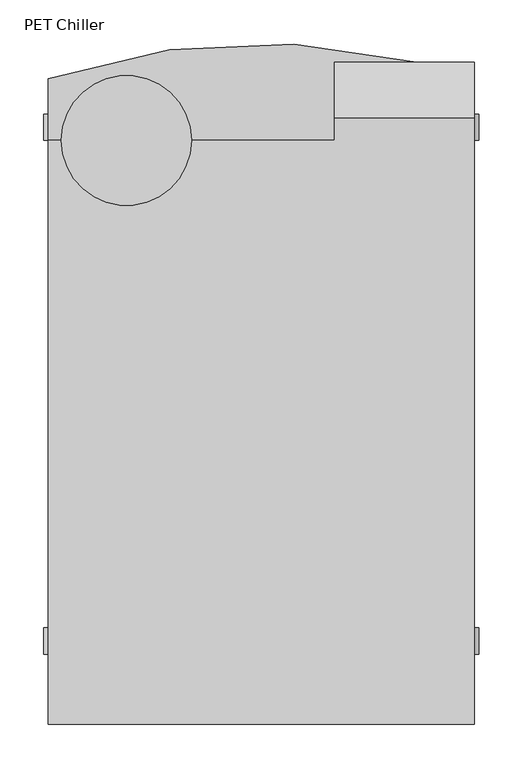
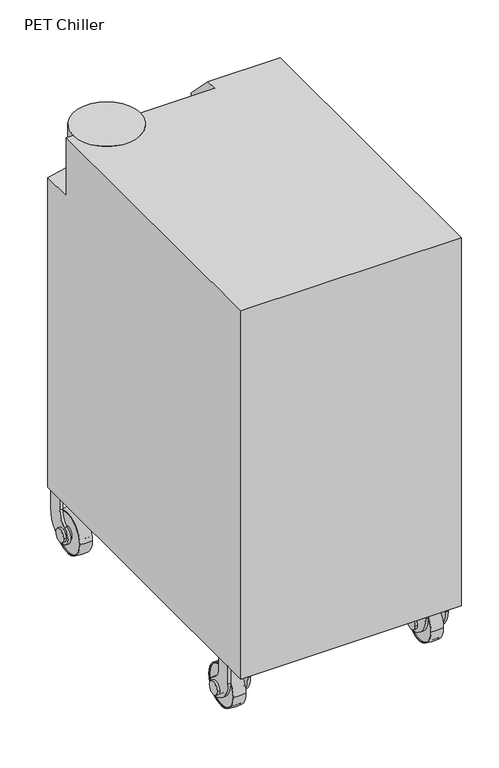
"""IFC4 building model written with IfcOpenShell, lengths in millimetres: proxy geometry, PET Chiller."""

from ifc_helpers import new_model, si_unit, point, frame, frame_2d, origin, place, context, project, spatial, polyline, circle_curve, ellipse_curve, trimmed, segment, composite_curve, outline, extrude, source, transform, mapped, element, save
from ifc_brep_helpers import plane_surface, cylinder_surface, revolved_surface, advanced_brep


def pet_chiller_6dd72af3(model_context):
    return source(origin(), model_context, "Body", "SolidModel", [
        advanced_brep(
        [(449.5727913, 244.1606157, 48.0465135), (477.5727913, 244.1606157, 48.0465135), (477.5727913, 150.5485376, 48.0465135), (449.5727913, 150.5485376, 48.0465135), (477.5727913, 242.3545767, 48.0465135), (449.5727913, 242.3545767, 48.0465135), (449.5727913, 152.3545767, 48.0465135), (477.5727913, 152.3545767, 48.0465135)],
        [
            (0, 1, circle_curve(frame((463.5727913, 165.7788238, 48.0465135), z_axis=(0.0, 0.0, -1.0), x_axis=(0.0, -1.0000000000000002, 0.0)), 79.6222664)),
            (1, 2, circle_curve(frame((477.5727913, 197.3545767, 48.0465135), z_axis=(-1.0, 0.0, 0.0), x_axis=(0.0, -1.0000000000000002, 0.0)), 46.8060391)),
            (2, 3, circle_curve(frame((463.5727913, 228.9303296, 48.0465135), z_axis=(0.0, 0.0, -1.0), x_axis=(0.0, 1.0000000000000002, 0.0)), 79.6222664)),
            (3, 0, circle_curve(frame((449.5727913, 197.3545767, 48.0465135), z_axis=(1.0, 0.0, 0.0), x_axis=(0.0, -1.0000000000000002, 0.0)), 46.8060391)),
            (4, 5),
            (5, 6, circle_curve(frame((449.5727913, 197.3545767, 48.0465135), z_axis=(-1.0, 0.0, 0.0), x_axis=(0.0, -1.0000000000000002, 0.0)), 45.0)),
            (6, 7),
            (7, 4, circle_curve(frame((477.5727913, 197.3545767, 48.0465135), z_axis=(1.0, 0.0, 0.0), x_axis=(0.0, -1.0000000000000002, 0.0)), 45.0)),
            (1, 2, circle_curve(frame((477.5727913, 197.3545767, 48.0465135), z_axis=(1.0, 0.0, 0.0), x_axis=(0.0, 1.0000000000000002, 0.0)), 46.8060391)),
            (7, 4, circle_curve(frame((477.5727913, 197.3545767, 48.0465135), z_axis=(-1.0, 0.0, 0.0), x_axis=(0.0, 1.0000000000000002, 0.0)), 45.0)),
            (0, 3, circle_curve(frame((449.5727913, 197.3545767, 48.0465135), z_axis=(1.0, 0.0, 0.0), x_axis=(0.0, 1.0000000000000002, 0.0)), 46.8060391)),
            (5, 6, circle_curve(frame((449.5727913, 197.3545767, 48.0465135), z_axis=(1.0, 0.0, 0.0), x_axis=(0.0, 1.0000000000000002, 0.0)), 45.0)),
        ],
        [
            revolved_surface(trimmed(ellipse_curve(frame((463.5727913, 228.9303296, 48.0465135), z_axis=(0.0, 0.0, -1.0), x_axis=(0.0, 1.0000000000000002, 0.0)), 79.6222664, 79.6222664), [point((477.5727913, 150.5485376, 48.0465135))], [point((449.5727913, 150.5485376, 48.0465135))], True, "CARTESIAN"), (457.05, 197.3545767, 48.0465135), (-1.0000000000000002, 0.0, 0.0)),
            revolved_surface(polyline([(449.5727913, 152.3545767, 48.0465135), (477.5727913, 152.3545767, 48.0465135)]), (457.05, 197.3545767, 48.0465135), (-1.0000000000000002, 0.0, 0.0)),
            plane_surface(frame((477.5727913, 197.3545767, 48.0465135), z_axis=(1.0, 0.0, 0.0), x_axis=(0.0, 1.0, 0.0))),
            revolved_surface(trimmed(ellipse_curve(frame((463.5727913, 165.7788238, 48.0465135), z_axis=(0.0, 0.0, 1.0), x_axis=(0.0, -1.0000000000000002, 0.0)), 79.6222664, 79.6222664), [point((477.5727913, 244.1606157, 48.0465135))], [point((449.5727913, 244.1606157, 48.0465135))], True, "CARTESIAN"), (457.05, 197.3545767, 48.0465135), (-1.0000000000000002, 0.0, 0.0)),
            plane_surface(frame((449.5727913, 197.3545767, 48.0465135), z_axis=(-1.0, 0.0, 0.0), x_axis=(0.0, 1.0, 0.0))),
            revolved_surface(polyline([(449.5727913, 242.3545767, 48.0465135), (477.5727913, 242.3545767, 48.0465135)]), (457.05, 197.3545767, 48.0465135), (-1.0000000000000002, 0.0, 0.0)),
        ],
        [
            (0, [[1, 2, 3, 4]]),
            (1, [[5, 6, 7, 8]]),
            (2, [[-2, 9], [-8, 10]]),
            (3, [[-3, -9, -1, 11]]),
            (4, [[-4, -11], [-6, 12]]),
            (5, [[-7, -12, -5, -10]]),
        ],
    ),
        extrude(outline(composite_curve([segment(polyline([(188.1657407, 29.163577), (179.3662184, 34.2439835)]), True, "CONTINUOUS"), segment(trimmed(circle_curve(frame_2d((206.8662184, 81.8753807)), 55.0), [point((179.3662184, 34.2439835))], [point((151.8662184, 81.8753807))], False, "CARTESIAN"), True, "CONTINUOUS"), segment(polyline([(151.8662184, 81.8753807), (151.8662184, 125.0465135), (186.8662184, 125.0465135), (186.8662184, 99.3530944)]), True, "CONTINUOUS"), segment(trimmed(circle_curve(frame_2d((224.5148391, 99.3530944)), 37.6486207), [point((186.8662184, 99.3530944))], [point((203.4679054, 68.1369892))], True, "CARTESIAN"), True, "CONTINUOUS"), segment(trimmed(circle_curve(frame_2d((197.3545767, 48.0465135)), 21.0), [point((203.4679054, 68.1369892))], [point((188.1657407, 29.163577))], False, "CARTESIAN"), True, "CONTINUOUS")], self_intersect=False)), frame((482.55, 0.0, 0.0), z_axis=(1.0, 0.0, 0.0), x_axis=(0.0, 1.0, 0.0)), (0.0, 0.0, 1.0), 6.0),
        extrude(outline(polyline([(444.55, 151.8662184), (444.55, 186.8662184), (482.55, 186.8662184), (482.55, 151.8662184), (444.55, 151.8662184)])), frame((0.0, 0.0, 119.0465135), z_axis=(0.0, 0.0, 1.0), x_axis=(1.0, 0.0, 0.0)), (0.0, 0.0, 1.0), 6.0),
        extrude(outline(composite_curve([segment(polyline([(188.1657407, 29.163577), (179.3662184, 34.2439835)]), True, "CONTINUOUS"), segment(trimmed(circle_curve(frame_2d((206.8662184, 81.8753807)), 55.0), [point((179.3662184, 34.2439835))], [point((151.8662184, 81.8753807))], False, "CARTESIAN"), True, "CONTINUOUS"), segment(polyline([(151.8662184, 81.8753807), (151.8662184, 125.0465135), (186.8662184, 125.0465135), (186.8662184, 99.3530944)]), True, "CONTINUOUS"), segment(trimmed(circle_curve(frame_2d((224.5148391, 99.3530944)), 37.6486207), [point((186.8662184, 99.3530944))], [point((203.4679054, 68.1369892))], True, "CARTESIAN"), True, "CONTINUOUS"), segment(trimmed(circle_curve(frame_2d((197.3545767, 48.0465135)), 21.0), [point((203.4679054, 68.1369892))], [point((188.1657407, 29.163577))], False, "CARTESIAN"), True, "CONTINUOUS")], self_intersect=False)), frame((438.55, 0.0, 0.0), z_axis=(1.0, 0.0, 0.0), x_axis=(0.0, 1.0, 0.0)), (0.0, 0.0, 1.0), 6.0),
        extrude(outline(composite_curve([segment(trimmed(circle_curve(frame_2d((197.3545767, 48.0465135)), 15.0), [point((182.3545767, 48.0465135))], [point((212.3545767, 48.0465135))], False, "CARTESIAN"), True, "CONTINUOUS"), segment(trimmed(circle_curve(frame_2d((197.3545767, 48.0465135)), 15.0), [point((212.3545767, 48.0465135))], [point((182.3545767, 48.0465135))], False, "CARTESIAN"), True, "CONTINUOUS")], self_intersect=False)), frame((432.55, 0.0, 0.0), z_axis=(1.0, 0.0, 0.0), x_axis=(0.0, 1.0, 0.0)), (0.0, 0.0, 1.0), 62.0),
        extrude(outline(composite_curve([segment(trimmed(circle_curve(frame_2d((197.3545767, 48.0465135)), 45.0), [point((152.3545767, 48.0465135))], [point((242.3545767, 48.0465135))], False, "CARTESIAN"), True, "CONTINUOUS"), segment(trimmed(circle_curve(frame_2d((197.3545767, 48.0465135)), 45.0), [point((242.3545767, 48.0465135))], [point((152.3545767, 48.0465135))], False, "CARTESIAN"), True, "CONTINUOUS")], self_intersect=False)), frame((451.05, 0.0, 0.0), z_axis=(1.0, 0.0, 0.0), x_axis=(0.0, 1.0, 0.0)), (0.0, 0.0, 1.0), 25.0),
        advanced_brep(
        [(39.3772087, 244.1606157, 48.0465135), (39.3772087, 150.5485376, 48.0465135), (11.3772087, 150.5485376, 48.0465135), (11.3772087, 244.1606157, 48.0465135), (11.3772087, 242.3545767, 48.0465135), (11.3772087, 152.3545767, 48.0465135), (39.3772087, 152.3545767, 48.0465135), (39.3772087, 242.3545767, 48.0465135)],
        [
            (0, 1, circle_curve(frame((39.3772087, 197.3545767, 48.0465135), z_axis=(-1.0, 0.0, 0.0), x_axis=(0.0, -1.0000000000000002, 0.0)), 46.8060391)),
            (1, 2, circle_curve(frame((25.3772087, 228.9303296, 48.0465135), z_axis=(0.0, 0.0, -1.0), x_axis=(0.0, 1.0000000000000002, 0.0)), 79.6222664)),
            (2, 3, circle_curve(frame((11.3772087, 197.3545767, 48.0465135), z_axis=(1.0, 0.0, 0.0), x_axis=(0.0, -1.0000000000000002, 0.0)), 46.8060391)),
            (3, 0, circle_curve(frame((25.3772087, 165.7788238, 48.0465135), z_axis=(0.0, 0.0, -1.0), x_axis=(0.0, -1.0000000000000002, 0.0)), 79.6222664)),
            (4, 5, circle_curve(frame((11.3772087, 197.3545767, 48.0465135), z_axis=(-1.0, 0.0, 0.0), x_axis=(0.0, -1.0000000000000002, 0.0)), 45.0)),
            (5, 6),
            (6, 7, circle_curve(frame((39.3772087, 197.3545767, 48.0465135), z_axis=(1.0, 0.0, 0.0), x_axis=(0.0, -1.0000000000000002, 0.0)), 45.0)),
            (7, 4),
            (2, 3, circle_curve(frame((11.3772087, 197.3545767, 48.0465135), z_axis=(-1.0, 0.0, 0.0), x_axis=(0.0, 1.0000000000000002, 0.0)), 46.8060391)),
            (4, 5, circle_curve(frame((11.3772087, 197.3545767, 48.0465135), z_axis=(1.0, 0.0, 0.0), x_axis=(0.0, 1.0000000000000002, 0.0)), 45.0)),
            (1, 0, circle_curve(frame((39.3772087, 197.3545767, 48.0465135), z_axis=(-1.0, 0.0, 0.0), x_axis=(0.0, 1.0000000000000002, 0.0)), 46.8060391)),
            (6, 7, circle_curve(frame((39.3772087, 197.3545767, 48.0465135), z_axis=(-1.0, 0.0, 0.0), x_axis=(0.0, 1.0000000000000002, 0.0)), 45.0)),
        ],
        [
            revolved_surface(trimmed(ellipse_curve(frame((25.3772087, 228.9303296, 48.0465135), z_axis=(0.0, 0.0, 1.0), x_axis=(0.0, 1.0000000000000002, 0.0)), 79.6222664, 79.6222664), [point((11.3772087, 150.5485376, 48.0465135))], [point((39.3772087, 150.5485376, 48.0465135))], True, "CARTESIAN"), (31.9, 197.3545767, 48.0465135), (1.0000000000000002, 0.0, 0.0)),
            revolved_surface(polyline([(39.3772087, 152.3545767, 48.0465135), (11.377208699999994, 152.3545767, 48.0465135)]), (31.9, 197.3545767, 48.0465135), (1.0000000000000002, 0.0, 0.0)),
            plane_surface(frame((11.3772087, 197.3545767, 48.0465135), z_axis=(-1.0, 0.0, 0.0), x_axis=(0.0, 1.0, 0.0))),
            revolved_surface(trimmed(ellipse_curve(frame((25.3772087, 165.7788238, 48.0465135), z_axis=(0.0, 0.0, -1.0), x_axis=(0.0, -1.0000000000000002, 0.0)), 79.6222664, 79.6222664), [point((11.3772087, 244.1606157, 48.0465135))], [point((39.3772087, 244.1606157, 48.0465135))], True, "CARTESIAN"), (31.9, 197.3545767, 48.0465135), (1.0000000000000002, 0.0, 0.0)),
            plane_surface(frame((39.3772087, 197.3545767, 48.0465135), z_axis=(1.0, 0.0, 0.0), x_axis=(0.0, 1.0, 0.0))),
            revolved_surface(polyline([(39.3772087, 242.3545767, 48.0465135), (11.377208699999994, 242.3545767, 48.0465135)]), (31.9, 197.3545767, 48.0465135), (1.0000000000000002, 0.0, 0.0)),
        ],
        [
            (0, [[1, 2, 3, 4]]),
            (1, [[5, 6, 7, 8]]),
            (2, [[9, -3], [10, -5]]),
            (3, [[11, -4, -9, -2]]),
            (4, [[-11, -1], [12, -7]]),
            (5, [[-10, -8, -12, -6]]),
        ],
    ),
        extrude(outline(composite_curve([segment(polyline([(188.1657407, 29.163577), (179.3662184, 34.2439835)]), True, "CONTINUOUS"), segment(trimmed(circle_curve(frame_2d((206.8662184, 81.8753807)), 55.0), [point((179.3662184, 34.2439835))], [point((151.8662184, 81.8753807))], False, "CARTESIAN"), True, "CONTINUOUS"), segment(polyline([(151.8662184, 81.8753807), (151.8662184, 125.0465135), (186.8662184, 125.0465135), (186.8662184, 99.3530944)]), True, "CONTINUOUS"), segment(trimmed(circle_curve(frame_2d((224.5148391, 99.3530944)), 37.6486207), [point((186.8662184, 99.3530944))], [point((203.4679054, 68.1369892))], True, "CARTESIAN"), True, "CONTINUOUS"), segment(trimmed(circle_curve(frame_2d((197.3545767, 48.0465135)), 21.0), [point((203.4679054, 68.1369892))], [point((188.1657407, 29.163577))], False, "CARTESIAN"), True, "CONTINUOUS")], self_intersect=False)), frame((0.4, 0.0, 0.0), z_axis=(1.0, 0.0, 0.0), x_axis=(0.0, 1.0, 0.0)), (0.0, 0.0, 1.0), 6.0),
        extrude(outline(polyline([(44.4, 151.8662184), (6.4, 151.8662184), (6.4, 186.8662184), (44.4, 186.8662184), (44.4, 151.8662184)])), frame((0.0, 0.0, 119.0465135), z_axis=(0.0, 0.0, 1.0), x_axis=(1.0, 0.0, 0.0)), (0.0, 0.0, 1.0), 6.0),
        extrude(outline(composite_curve([segment(polyline([(188.1657407, 29.163577), (179.3662184, 34.2439835)]), True, "CONTINUOUS"), segment(trimmed(circle_curve(frame_2d((206.8662184, 81.8753807)), 55.0), [point((179.3662184, 34.2439835))], [point((151.8662184, 81.8753807))], False, "CARTESIAN"), True, "CONTINUOUS"), segment(polyline([(151.8662184, 81.8753807), (151.8662184, 125.0465135), (186.8662184, 125.0465135), (186.8662184, 99.3530944)]), True, "CONTINUOUS"), segment(trimmed(circle_curve(frame_2d((224.5148391, 99.3530944)), 37.6486207), [point((186.8662184, 99.3530944))], [point((203.4679054, 68.1369892))], True, "CARTESIAN"), True, "CONTINUOUS"), segment(trimmed(circle_curve(frame_2d((197.3545767, 48.0465135)), 21.0), [point((203.4679054, 68.1369892))], [point((188.1657407, 29.163577))], False, "CARTESIAN"), True, "CONTINUOUS")], self_intersect=False)), frame((44.4, 0.0, 0.0), z_axis=(1.0, 0.0, 0.0), x_axis=(0.0, 1.0, 0.0)), (0.0, 0.0, 1.0), 6.0),
        extrude(outline(composite_curve([segment(trimmed(circle_curve(frame_2d((197.3545767, 48.0465135)), 15.0), [point((182.3545767, 48.0465135))], [point((212.3545767, 48.0465135))], False, "CARTESIAN"), True, "CONTINUOUS"), segment(trimmed(circle_curve(frame_2d((197.3545767, 48.0465135)), 15.0), [point((212.3545767, 48.0465135))], [point((182.3545767, 48.0465135))], False, "CARTESIAN"), True, "CONTINUOUS")], self_intersect=False)), frame((-5.6, 0.0, 0.0), z_axis=(1.0, 0.0, 0.0), x_axis=(0.0, 1.0, 0.0)), (0.0, 0.0, 1.0), 62.0),
        extrude(outline(composite_curve([segment(trimmed(circle_curve(frame_2d((197.3545767, 48.0465135)), 45.0), [point((152.3545767, 48.0465135))], [point((242.3545767, 48.0465135))], False, "CARTESIAN"), True, "CONTINUOUS"), segment(trimmed(circle_curve(frame_2d((197.3545767, 48.0465135)), 45.0), [point((242.3545767, 48.0465135))], [point((152.3545767, 48.0465135))], False, "CARTESIAN"), True, "CONTINUOUS")], self_intersect=False)), frame((12.9, 0.0, 0.0), z_axis=(1.0, 0.0, 0.0), x_axis=(0.0, 1.0, 0.0)), (0.0, 0.0, 1.0), 25.0),
        advanced_brep(
        [(449.5727913, 740.0893843, 48.0465135), (449.5727913, 833.7014624, 48.0465135), (477.5727913, 833.7014624, 48.0465135), (477.5727913, 740.0893843, 48.0465135), (477.5727913, 741.8954233, 48.0465135), (477.5727913, 831.8954233, 48.0465135), (449.5727913, 831.8954233, 48.0465135), (449.5727913, 741.8954233, 48.0465135)],
        [
            (0, 1, circle_curve(frame((449.5727913, 786.8954233, 48.0465135), z_axis=(1.0, 0.0, 0.0), x_axis=(0.0, 1.0000000000000002, 0.0)), 46.8060391)),
            (1, 2, circle_curve(frame((463.5727913, 755.3196704, 48.0465135), z_axis=(0.0, 0.0, -1.0), x_axis=(0.0, -1.0000000000000002, 0.0)), 79.6222664)),
            (2, 3, circle_curve(frame((477.5727913, 786.8954233, 48.0465135), z_axis=(-1.0, 0.0, 0.0), x_axis=(0.0, 1.0000000000000002, 0.0)), 46.8060391)),
            (3, 0, circle_curve(frame((463.5727913, 818.4711762, 48.0465135), z_axis=(0.0, 0.0, -1.0), x_axis=(0.0, 1.0000000000000002, 0.0)), 79.6222664)),
            (4, 5, circle_curve(frame((477.5727913, 786.8954233, 48.0465135), z_axis=(1.0, 0.0, 0.0), x_axis=(0.0, 1.0000000000000002, 0.0)), 45.0)),
            (5, 6),
            (6, 7, circle_curve(frame((449.5727913, 786.8954233, 48.0465135), z_axis=(-1.0, 0.0, 0.0), x_axis=(0.0, 1.0000000000000002, 0.0)), 45.0)),
            (7, 4),
            (2, 3, circle_curve(frame((477.5727913, 786.8954233, 48.0465135), z_axis=(1.0, 0.0, 0.0), x_axis=(0.0, -1.0000000000000002, 0.0)), 46.8060391)),
            (4, 5, circle_curve(frame((477.5727913, 786.8954233, 48.0465135), z_axis=(-1.0, 0.0, 0.0), x_axis=(0.0, -1.0000000000000002, 0.0)), 45.0)),
            (1, 0, circle_curve(frame((449.5727913, 786.8954233, 48.0465135), z_axis=(1.0, 0.0, 0.0), x_axis=(0.0, -1.0000000000000002, 0.0)), 46.8060391)),
            (6, 7, circle_curve(frame((449.5727913, 786.8954233, 48.0465135), z_axis=(1.0, 0.0, 0.0), x_axis=(0.0, -1.0000000000000002, 0.0)), 45.0)),
        ],
        [
            revolved_surface(trimmed(ellipse_curve(frame((463.5727913, 755.3196704, 48.0465135), z_axis=(0.0, 0.0, 1.0), x_axis=(0.0, -1.0000000000000002, 0.0)), 79.6222664, 79.6222664), [point((477.5727913, 833.7014624, 48.0465135))], [point((449.5727913, 833.7014624, 48.0465135))], True, "CARTESIAN"), (457.05, 786.8954233, 48.0465135), (-1.0000000000000002, 0.0, 0.0)),
            revolved_surface(polyline([(449.5727913, 831.8954233, 48.0465135), (477.5727913, 831.8954233, 48.0465135)]), (457.05, 786.8954233, 48.0465135), (-1.0000000000000002, 0.0, 0.0)),
            plane_surface(frame((477.5727913, 786.8954233, 48.0465135), z_axis=(1.0, 0.0, 0.0), x_axis=(0.0, -1.0, 0.0))),
            revolved_surface(trimmed(ellipse_curve(frame((463.5727913, 818.4711762, 48.0465135), z_axis=(0.0, 0.0, -1.0), x_axis=(0.0, 1.0000000000000002, 0.0)), 79.6222664, 79.6222664), [point((477.5727913, 740.0893843, 48.0465135))], [point((449.5727913, 740.0893843, 48.0465135))], True, "CARTESIAN"), (457.05, 786.8954233, 48.0465135), (-1.0000000000000002, 0.0, 0.0)),
            plane_surface(frame((449.5727913, 786.8954233, 48.0465135), z_axis=(-1.0, 0.0, 0.0), x_axis=(0.0, -1.0, 0.0))),
            revolved_surface(polyline([(449.5727913, 741.8954233, 48.0465135), (477.5727913, 741.8954233, 48.0465135)]), (457.05, 786.8954233, 48.0465135), (-1.0000000000000002, 0.0, 0.0)),
        ],
        [
            (0, [[1, 2, 3, 4]]),
            (1, [[5, 6, 7, 8]]),
            (2, [[9, -3], [10, -5]]),
            (3, [[11, -4, -9, -2]]),
            (4, [[-11, -1], [12, -7]]),
            (5, [[-10, -8, -12, -6]]),
        ],
    ),
        extrude(outline(composite_curve([segment(trimmed(circle_curve(frame_2d((786.8954233, 48.0465135)), 21.0), [point((796.0842593, 29.163577))], [point((780.7820946, 68.1369892))], False, "CARTESIAN"), True, "CONTINUOUS"), segment(trimmed(circle_curve(frame_2d((759.7351609, 99.3530944)), 37.6486207), [point((780.7820946, 68.1369892))], [point((797.3837816, 99.3530944))], True, "CARTESIAN"), True, "CONTINUOUS"), segment(polyline([(797.3837816, 99.3530944), (797.3837816, 125.0465135), (832.3837816, 125.0465135), (832.3837816, 81.8753807)]), True, "CONTINUOUS"), segment(trimmed(circle_curve(frame_2d((777.3837816, 81.8753807)), 55.0), [point((832.3837816, 81.8753807))], [point((804.8837816, 34.2439835))], False, "CARTESIAN"), True, "CONTINUOUS"), segment(polyline([(804.8837816, 34.2439835), (796.0842593, 29.163577)]), True, "CONTINUOUS")], self_intersect=False)), frame((482.55, 0.0, 0.0), z_axis=(1.0, 0.0, 0.0), x_axis=(0.0, 1.0, 0.0)), (0.0, 0.0, 1.0), 6.0),
        extrude(outline(polyline([(444.55, 832.3837816), (482.55, 832.3837816), (482.55, 797.3837816), (444.55, 797.3837816), (444.55, 832.3837816)])), frame((0.0, 0.0, 119.0465135), z_axis=(0.0, 0.0, 1.0), x_axis=(1.0, 0.0, 0.0)), (0.0, 0.0, 1.0), 6.0),
        extrude(outline(composite_curve([segment(trimmed(circle_curve(frame_2d((786.8954233, 48.0465135)), 21.0), [point((796.0842593, 29.163577))], [point((780.7820946, 68.1369892))], False, "CARTESIAN"), True, "CONTINUOUS"), segment(trimmed(circle_curve(frame_2d((759.7351609, 99.3530944)), 37.6486207), [point((780.7820946, 68.1369892))], [point((797.3837816, 99.3530944))], True, "CARTESIAN"), True, "CONTINUOUS"), segment(polyline([(797.3837816, 99.3530944), (797.3837816, 125.0465135), (832.3837816, 125.0465135), (832.3837816, 81.8753807)]), True, "CONTINUOUS"), segment(trimmed(circle_curve(frame_2d((777.3837816, 81.8753807)), 55.0), [point((832.3837816, 81.8753807))], [point((804.8837816, 34.2439835))], False, "CARTESIAN"), True, "CONTINUOUS"), segment(polyline([(804.8837816, 34.2439835), (796.0842593, 29.163577)]), True, "CONTINUOUS")], self_intersect=False)), frame((438.55, 0.0, 0.0), z_axis=(1.0, 0.0, 0.0), x_axis=(0.0, 1.0, 0.0)), (0.0, 0.0, 1.0), 6.0),
        extrude(outline(composite_curve([segment(trimmed(circle_curve(frame_2d((786.8954233, 48.0465135)), 15.0), [point((801.8954233, 48.0465135))], [point((771.8954233, 48.0465135))], False, "CARTESIAN"), True, "CONTINUOUS"), segment(trimmed(circle_curve(frame_2d((786.8954233, 48.0465135)), 15.0), [point((771.8954233, 48.0465135))], [point((801.8954233, 48.0465135))], False, "CARTESIAN"), True, "CONTINUOUS")], self_intersect=False)), frame((432.55, 0.0, 0.0), z_axis=(1.0, 0.0, 0.0), x_axis=(0.0, 1.0, 0.0)), (0.0, 0.0, 1.0), 62.0),
        extrude(outline(composite_curve([segment(trimmed(circle_curve(frame_2d((786.8954233, 48.0465135)), 45.0), [point((831.8954233, 48.0465135))], [point((741.8954233, 48.0465135))], False, "CARTESIAN"), True, "CONTINUOUS"), segment(trimmed(circle_curve(frame_2d((786.8954233, 48.0465135)), 45.0), [point((741.8954233, 48.0465135))], [point((831.8954233, 48.0465135))], False, "CARTESIAN"), True, "CONTINUOUS")], self_intersect=False)), frame((451.05, 0.0, 0.0), z_axis=(1.0, 0.0, 0.0), x_axis=(0.0, 1.0, 0.0)), (0.0, 0.0, 1.0), 25.0),
        advanced_brep(
        [(39.3772087, 740.0893843, 48.0465135), (11.3772087, 740.0893843, 48.0465135), (11.3772087, 833.7014624, 48.0465135), (39.3772087, 833.7014624, 48.0465135), (11.3772087, 741.8954233, 48.0465135), (39.3772087, 741.8954233, 48.0465135), (39.3772087, 831.8954233, 48.0465135), (11.3772087, 831.8954233, 48.0465135)],
        [
            (0, 1, circle_curve(frame((25.3772087, 818.4711762, 48.0465135), z_axis=(0.0, 0.0, -1.0), x_axis=(0.0, 1.0000000000000002, 0.0)), 79.6222664)),
            (1, 2, circle_curve(frame((11.3772087, 786.8954233, 48.0465135), z_axis=(1.0, 0.0, 0.0), x_axis=(0.0, 1.0000000000000002, 0.0)), 46.8060391)),
            (2, 3, circle_curve(frame((25.3772087, 755.3196704, 48.0465135), z_axis=(0.0, 0.0, -1.0), x_axis=(0.0, -1.0000000000000002, 0.0)), 79.6222664)),
            (3, 0, circle_curve(frame((39.3772087, 786.8954233, 48.0465135), z_axis=(-1.0, 0.0, 0.0), x_axis=(0.0, 1.0000000000000002, 0.0)), 46.8060391)),
            (4, 5),
            (5, 6, circle_curve(frame((39.3772087, 786.8954233, 48.0465135), z_axis=(1.0, 0.0, 0.0), x_axis=(0.0, 1.0000000000000002, 0.0)), 45.0)),
            (6, 7),
            (7, 4, circle_curve(frame((11.3772087, 786.8954233, 48.0465135), z_axis=(-1.0, 0.0, 0.0), x_axis=(0.0, 1.0000000000000002, 0.0)), 45.0)),
            (1, 2, circle_curve(frame((11.3772087, 786.8954233, 48.0465135), z_axis=(-1.0, 0.0, 0.0), x_axis=(0.0, -1.0000000000000002, 0.0)), 46.8060391)),
            (7, 4, circle_curve(frame((11.3772087, 786.8954233, 48.0465135), z_axis=(1.0, 0.0, 0.0), x_axis=(0.0, -1.0000000000000002, 0.0)), 45.0)),
            (0, 3, circle_curve(frame((39.3772087, 786.8954233, 48.0465135), z_axis=(-1.0, 0.0, 0.0), x_axis=(0.0, -1.0000000000000002, 0.0)), 46.8060391)),
            (5, 6, circle_curve(frame((39.3772087, 786.8954233, 48.0465135), z_axis=(-1.0, 0.0, 0.0), x_axis=(0.0, -1.0000000000000002, 0.0)), 45.0)),
        ],
        [
            revolved_surface(trimmed(ellipse_curve(frame((25.3772087, 755.3196704, 48.0465135), z_axis=(0.0, 0.0, -1.0), x_axis=(0.0, -1.0000000000000002, 0.0)), 79.6222664, 79.6222664), [point((11.3772087, 833.7014624, 48.0465135))], [point((39.3772087, 833.7014624, 48.0465135))], True, "CARTESIAN"), (31.9, 786.8954233, 48.0465135), (1.0000000000000002, 0.0, 0.0)),
            revolved_surface(polyline([(39.3772087, 831.8954233, 48.0465135), (11.377208699999994, 831.8954233, 48.0465135)]), (31.9, 786.8954233, 48.0465135), (1.0000000000000002, 0.0, 0.0)),
            plane_surface(frame((11.3772087, 786.8954233, 48.0465135), z_axis=(-1.0, 0.0, 0.0), x_axis=(0.0, -1.0, 0.0))),
            revolved_surface(trimmed(ellipse_curve(frame((25.3772087, 818.4711762, 48.0465135), z_axis=(0.0, 0.0, 1.0), x_axis=(0.0, 1.0000000000000002, 0.0)), 79.6222664, 79.6222664), [point((11.3772087, 740.0893843, 48.0465135))], [point((39.3772087, 740.0893843, 48.0465135))], True, "CARTESIAN"), (31.9, 786.8954233, 48.0465135), (1.0000000000000002, 0.0, 0.0)),
            plane_surface(frame((39.3772087, 786.8954233, 48.0465135), z_axis=(1.0, 0.0, 0.0), x_axis=(0.0, -1.0, 0.0))),
            revolved_surface(polyline([(39.3772087, 741.8954233, 48.0465135), (11.377208699999994, 741.8954233, 48.0465135)]), (31.9, 786.8954233, 48.0465135), (1.0000000000000002, 0.0, 0.0)),
        ],
        [
            (0, [[1, 2, 3, 4]]),
            (1, [[5, 6, 7, 8]]),
            (2, [[-2, 9], [-8, 10]]),
            (3, [[-3, -9, -1, 11]]),
            (4, [[-4, -11], [-6, 12]]),
            (5, [[-7, -12, -5, -10]]),
        ],
    ),
        extrude(outline(composite_curve([segment(trimmed(circle_curve(frame_2d((786.8954233, 48.0465135)), 21.0), [point((796.0842593, 29.163577))], [point((780.7820946, 68.1369892))], False, "CARTESIAN"), True, "CONTINUOUS"), segment(trimmed(circle_curve(frame_2d((759.7351609, 99.3530944)), 37.6486207), [point((780.7820946, 68.1369892))], [point((797.3837816, 99.3530944))], True, "CARTESIAN"), True, "CONTINUOUS"), segment(polyline([(797.3837816, 99.3530944), (797.3837816, 125.0465135), (832.3837816, 125.0465135), (832.3837816, 81.8753807)]), True, "CONTINUOUS"), segment(trimmed(circle_curve(frame_2d((777.3837816, 81.8753807)), 55.0), [point((832.3837816, 81.8753807))], [point((804.8837816, 34.2439835))], False, "CARTESIAN"), True, "CONTINUOUS"), segment(polyline([(804.8837816, 34.2439835), (796.0842593, 29.163577)]), True, "CONTINUOUS")], self_intersect=False)), frame((0.4, 0.0, 0.0), z_axis=(1.0, 0.0, 0.0), x_axis=(0.0, 1.0, 0.0)), (0.0, 0.0, 1.0), 6.0),
        extrude(outline(polyline([(44.4, 832.3837816), (44.4, 797.3837816), (6.4, 797.3837816), (6.4, 832.3837816), (44.4, 832.3837816)])), frame((0.0, 0.0, 119.0465135), z_axis=(0.0, 0.0, 1.0), x_axis=(1.0, 0.0, 0.0)), (0.0, 0.0, 1.0), 6.0),
        extrude(outline(composite_curve([segment(trimmed(circle_curve(frame_2d((786.8954233, 48.0465135)), 21.0), [point((796.0842593, 29.163577))], [point((780.7820946, 68.1369892))], False, "CARTESIAN"), True, "CONTINUOUS"), segment(trimmed(circle_curve(frame_2d((759.7351609, 99.3530944)), 37.6486207), [point((780.7820946, 68.1369892))], [point((797.3837816, 99.3530944))], True, "CARTESIAN"), True, "CONTINUOUS"), segment(polyline([(797.3837816, 99.3530944), (797.3837816, 125.0465135), (832.3837816, 125.0465135), (832.3837816, 81.8753807)]), True, "CONTINUOUS"), segment(trimmed(circle_curve(frame_2d((777.3837816, 81.8753807)), 55.0), [point((832.3837816, 81.8753807))], [point((804.8837816, 34.2439835))], False, "CARTESIAN"), True, "CONTINUOUS"), segment(polyline([(804.8837816, 34.2439835), (796.0842593, 29.163577)]), True, "CONTINUOUS")], self_intersect=False)), frame((44.4, 0.0, 0.0), z_axis=(1.0, 0.0, 0.0), x_axis=(0.0, 1.0, 0.0)), (0.0, 0.0, 1.0), 6.0),
        extrude(outline(composite_curve([segment(trimmed(circle_curve(frame_2d((786.8954233, 48.0465135)), 15.0), [point((801.8954233, 48.0465135))], [point((771.8954233, 48.0465135))], False, "CARTESIAN"), True, "CONTINUOUS"), segment(trimmed(circle_curve(frame_2d((786.8954233, 48.0465135)), 15.0), [point((771.8954233, 48.0465135))], [point((801.8954233, 48.0465135))], False, "CARTESIAN"), True, "CONTINUOUS")], self_intersect=False)), frame((-5.6, 0.0, 0.0), z_axis=(1.0, 0.0, 0.0), x_axis=(0.0, 1.0, 0.0)), (0.0, 0.0, 1.0), 62.0),
        extrude(outline(composite_curve([segment(trimmed(circle_curve(frame_2d((786.8954233, 48.0465135)), 45.0), [point((831.8954233, 48.0465135))], [point((741.8954233, 48.0465135))], False, "CARTESIAN"), True, "CONTINUOUS"), segment(trimmed(circle_curve(frame_2d((786.8954233, 48.0465135)), 45.0), [point((741.8954233, 48.0465135))], [point((831.8954233, 48.0465135))], False, "CARTESIAN"), True, "CONTINUOUS")], self_intersect=False)), frame((12.9, 0.0, 0.0), z_axis=(1.0, 0.0, 0.0), x_axis=(0.0, 1.0, 0.0)), (0.0, 0.0, 1.0), 25.0),
        extrude(outline(composite_curve([segment(trimmed(circle_curve(frame_2d((89.5803865, 771.525)), 74.63771), [point((14.9426765, 771.525))], [point((164.2180964, 771.525))], False, "CARTESIAN"), True, "CONTINUOUS"), segment(trimmed(circle_curve(frame_2d((89.5803865, 771.525)), 74.63771), [point((164.2180964, 771.525))], [point((14.9426765, 771.525))], False, "CARTESIAN"), True, "CONTINUOUS")], self_intersect=False)), frame((0.0, 0.0, 851.1162417), z_axis=(0.0, 0.0, 1.0), x_axis=(1.0, 0.0, 0.0)), (0.0, 0.0, 1.0), 136.9437583),
        advanced_brep(
        [(0.0, 771.525, 988.06), (0.0, 101.6, 988.06), (488.95, 101.6, 988.06), (488.95, 796.925, 988.06), (328.4361929, 796.925, 988.06), (328.4361929, 771.525, 988.06), (488.95, 842.5437816, 851.1162417), (423.3548726, 861.4472864, 851.1162417), (488.95, 861.4472864, 851.1162417), (488.95, 842.5437816, 125.0465135), (488.95, 861.4472864, 923.5377136), (488.95, 101.6, 125.0465135), (0.0, 101.6, 125.0465135), (0.0, 771.525, 851.1162417), (0.0, 842.5437816, 851.1162417), (0.0, 842.5437816, 125.0465135), (328.4361929, 771.525, 851.1162417), (328.4361929, 861.4472864, 923.5377136), (328.4361929, 861.4472864, 851.1162417)],
        [
            (0, 1),
            (1, 2),
            (2, 3),
            (3, 4),
            (4, 5),
            (5, 0),
            (6, 7, circle_curve(frame((244.475, 117.4752109, 851.1162417), z_axis=(0.0, 0.0, 1.0), x_axis=(1.0, 0.0, 0.0)), 765.1747891)),
            (7, 8),
            (8, 6),
            (9, 6),
            (8, 10),
            (10, 3),
            (2, 11),
            (11, 9),
            (1, 12),
            (12, 11),
            (0, 13),
            (13, 14),
            (14, 15),
            (15, 12),
            (5, 16),
            (16, 13),
            (4, 17),
            (17, 18),
            (18, 16),
            (7, 18),
            (17, 10),
            (7, 14, circle_curve(frame((244.475, 117.4752109, 851.1162417), z_axis=(0.0, 0.0, 1.0), x_axis=(1.0, 0.0, 0.0)), 765.1747891)),
            (15, 9, circle_curve(frame((244.475, 117.4752109, 125.0465135), z_axis=(0.0, 0.0, -1.0), x_axis=(1.0, 0.0, 0.0)), 765.1747891)),
        ],
        [
            plane_surface(frame((164.6132158, 771.525, 988.06), z_axis=(0.0, 0.0, 1.0), x_axis=(1.0, 0.0, 0.0))),
            plane_surface(frame((164.6132158, 771.525, 851.1162417), z_axis=(0.0, 0.0, -1.0), x_axis=(-1.0, 0.0, 0.0))),
            plane_surface(frame((488.95, 861.4472864, 988.06), z_axis=(1.0, 0.0, 0.0), x_axis=(0.0, 0.0, -1.0))),
            plane_surface(frame((488.95, 101.6, 988.06), z_axis=(0.0, -1.0, 0.0), x_axis=(0.0, 0.0, -1.0))),
            plane_surface(frame((0.0, 101.6, 988.06), z_axis=(-1.0, 0.0, 0.0), x_axis=(0.0, 0.0, -1.0))),
            plane_surface(frame((0.0, 771.525, 988.06), z_axis=(0.0, 1.0, 0.0), x_axis=(0.0, 0.0, -1.0))),
            plane_surface(frame((328.4361929, 771.525, 988.06), z_axis=(-1.0, 0.0, 0.0), x_axis=(0.0, 0.0, -1.0))),
            plane_surface(frame((328.4361929, 861.4472864, 988.06), z_axis=(0.0, 1.0, 0.0), x_axis=(0.0, 0.0, -1.0))),
            plane_surface(frame((1009.6497891, 117.4752109, 851.1162417), z_axis=(0.0, 0.0, 1.0), x_axis=(0.0, -1.0, 0.0))),
            plane_surface(frame((1009.6497891, 117.4752109, 125.0465135), z_axis=(0.0, 0.0, -1.0), x_axis=(0.0, 1.0, 0.0))),
            cylinder_surface(frame((244.475, 117.4752109, 125.0465135), z_axis=(0.0, 0.0, 1.0), x_axis=(1.0, 0.0, 0.0)), 765.1747891),
            plane_surface(frame((242.8693622, 796.925, 988.06), z_axis=(0.0, 0.707106781186549, 0.707106781186546), x_axis=(1.0, 0.0, 0.0))),
        ],
        [
            (0, [[1, 2, 3, 4, 5, 6]]),
            (1, [[7, 8, 9]]),
            (2, [[10, -9, 11, 12, -3, 13, 14]]),
            (3, [[15, 16, -13, -2]]),
            (4, [[17, 18, 19, 20, -15, -1]]),
            (5, [[21, 22, -17, -6]]),
            (6, [[-5, 23, 24, 25, -21]]),
            (7, [[26, -24, 27, -11, -8]]),
            (8, [[-22, -25, -26, 28, -18]]),
            (9, [[29, -14, -16, -20]]),
            (10, [[-19, -28, -7, -10, -29]]),
            (11, [[-12, -27, -23, -4]]),
        ],
    ),
    ])


if __name__ == "__main__":
    model = new_model("IFC4")
    model_context = context("Model", 3, world=origin())
    ifc_project = project(units=[si_unit("LENGTHUNIT", "METRE", prefix="MILLI")], contexts=[model_context])
    site = spatial("IfcSite", under=ifc_project)
    building = spatial("IfcBuilding", under=site)
    placement = place(None, origin())
    pet_chiller_shape = pet_chiller_6dd72af3(model_context)
    element("IfcBuildingElementProxy", 1, Name="PET Chiller", ObjectType="PET Chiller", at=placement, inside=building, context=model_context, shape_type="MappedRepresentation", body=[
        mapped(pet_chiller_shape, transform((0.0, 0.0, 0.0), x_axis=(1.0, 0.0, 0.0), y_axis=(0.0, 1.0, 0.0), z_axis=(0.0, 0.0, 1.0))),
    ])
    save(model, "model.ifc")
